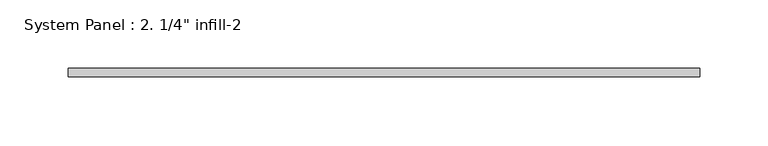
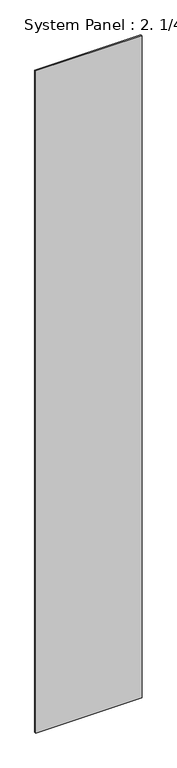
"""IFC4 building model written with IfcOpenShell, lengths in millimetres: plate geometry."""

from ifc_helpers import new_model, si_unit, origin, origin_with_axes, place, context, project, spatial, polyline, outline, extrude, source, transform, mapped, element, save


def plate_48fba8cc(model_context):
    return source(origin(), model_context, "Body", "SweptSolid", [
        extrude(outline(polyline([(231.775, -6.35), (-231.775, -6.35), (-231.775, 0.0), (231.775, 0.0), (231.775, -6.35)])), origin_with_axes(), (0.0, 0.0, 1.0), 3048.0),
    ])


if __name__ == "__main__":
    model = new_model("IFC4")
    model_context = context("Model", 3, world=origin())
    ifc_project = project(units=[si_unit("LENGTHUNIT", "METRE", prefix="MILLI")], contexts=[model_context])
    site = spatial("IfcSite", under=ifc_project)
    building = spatial("IfcBuilding", under=site)
    placement = place(None, origin())
    plate_shape = plate_48fba8cc(model_context)
    element("IfcPlate", 1, ObjectType="System Panel : 2. 1/4\" infill-2", at=placement, inside=building, context=model_context, shape_type="MappedRepresentation", body=[
        mapped(plate_shape, transform((0.0, 0.0, 0.0), x_axis=(1.0, 0.0, 0.0), y_axis=(0.0, 1.0, 0.0), z_axis=(0.0, 0.0, 1.0))),
    ])
    save(model, "model.ifc")
